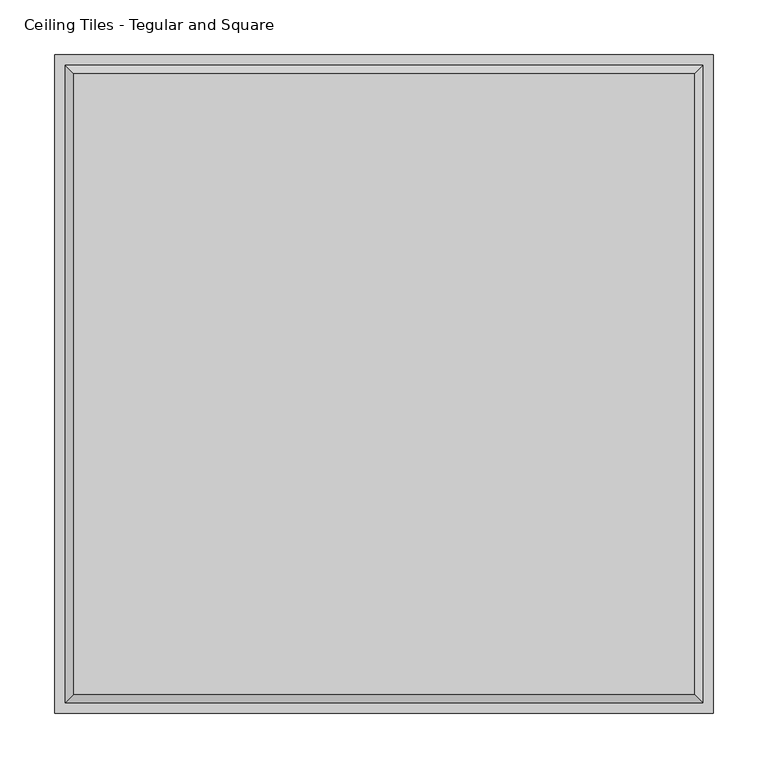
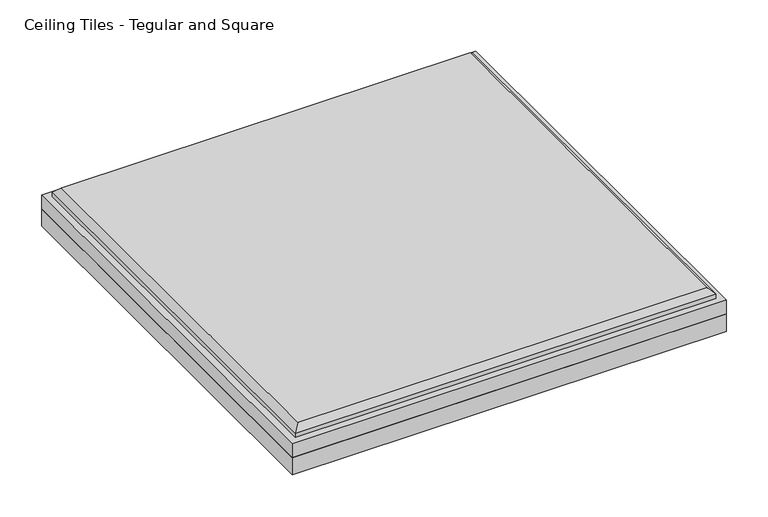
"""IFC4 building model written with IfcOpenShell, lengths in millimetres: proxy geometry, Ceiling Tiles - Tegular and Square."""

from ifc_helpers import new_model, si_unit, origin, origin_with_axes, place, context, project, spatial, polyline, outline, extrude, faceted_brep, source, transform, mapped, element, save


def ceiling_tiles_tegular_and_square_428111ee(model_context):
    return source(origin(), model_context, "Body", "SolidModel", [
        extrude(outline(polyline([(301.625, 301.625), (301.625, -301.625), (-301.625, -301.625), (-301.625, 301.625), (301.625, 301.625)])), origin_with_axes(), (0.0, 0.0, 1.0), 25.4),
        faceted_brep([(284.099, 284.099, 60.325), (-284.099, 284.099, 60.325), (-284.099, -284.099, 60.325), (284.099, -284.099, 60.325), (-301.625, 301.625, 25.4), (301.625, 301.625, 25.4), (301.625, -301.625, 25.4), (-301.625, -301.625, 25.4), (-301.625, -301.625, 46.0375), (-301.625, 301.625, 46.0375), (301.625, -301.625, 46.0375), (301.625, 301.625, 46.0375), (292.1, 292.1, 52.324), (-292.1, 292.1, 52.324), (-292.1, -292.1, 52.324), (292.1, -292.1, 52.324), (292.1, 292.1, 46.0375), (-292.1, 292.1, 46.0375), (-292.1, -292.1, 46.0375), (292.1, -292.1, 46.0375)], [[[0, 1, 2, 3]], [[4, 5, 6, 7]], [[4, 7, 8, 9]], [[7, 6, 10, 8]], [[6, 5, 11, 10]], [[5, 4, 9, 11]], [[12, 13, 1, 0]], [[1, 13, 14, 2]], [[2, 14, 15, 3]], [[12, 0, 3, 15]], [[16, 17, 13, 12]], [[13, 17, 18, 14]], [[14, 18, 19, 15]], [[16, 12, 15, 19]], [[9, 8, 10, 11], [17, 16, 19, 18]]]),
    ])


if __name__ == "__main__":
    model = new_model("IFC4")
    model_context = context("Model", 3, world=origin())
    ifc_project = project(units=[si_unit("LENGTHUNIT", "METRE", prefix="MILLI")], contexts=[model_context])
    site = spatial("IfcSite", under=ifc_project)
    building = spatial("IfcBuilding", under=site)
    placement = place(None, origin())
    ceiling_tiles_tegular_and_square_shape = ceiling_tiles_tegular_and_square_428111ee(model_context)
    element("IfcBuildingElementProxy", 1, Name="Ceiling Tiles - Tegular and Square", ObjectType="Ceiling Tiles - Tegular and Square", at=placement, inside=building, context=model_context, shape_type="MappedRepresentation", body=[
        mapped(ceiling_tiles_tegular_and_square_shape, transform((0.0, 0.0, 0.0), x_axis=(1.0, 0.0, 0.0), y_axis=(0.0, 1.0, 0.0), z_axis=(0.0, 0.0, 1.0))),
    ])
    save(model, "model.ifc")
